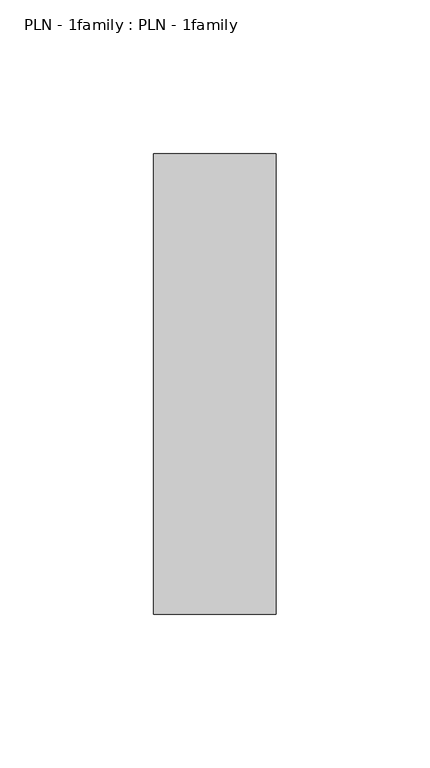
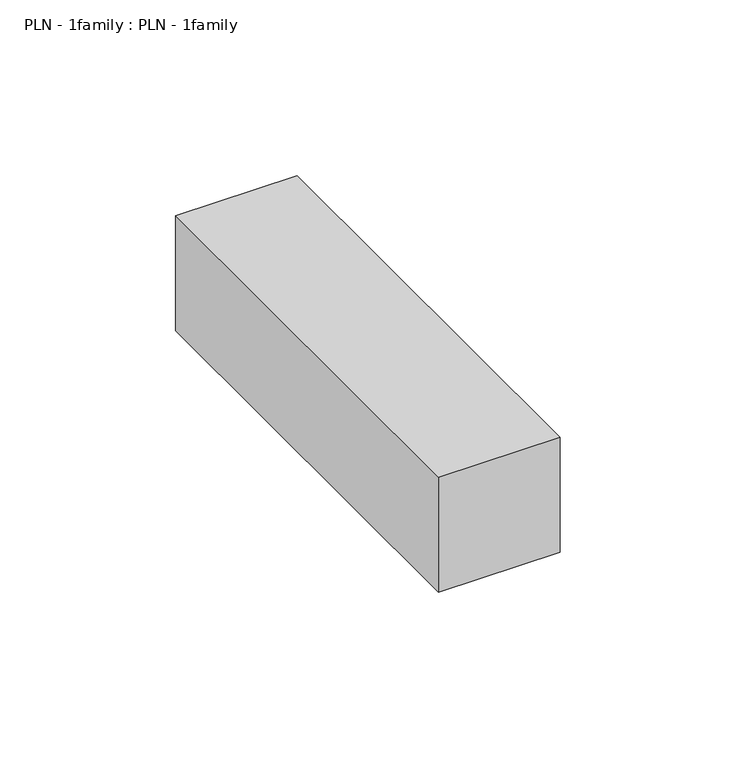
"""IFC4 building model written with IfcOpenShell, lengths in millimetres: proxy geometry, PLN - 1family : PLN - 1family."""

from ifc_helpers import new_model, si_unit, frame, origin, place, context, project, spatial, polyline, outline, extrude, source, transform, mapped, element, save


def pln_1family_pln_1family_2da3125d(model_context):
    return source(origin(), model_context, "Body", "SweptSolid", [
        extrude(outline(polyline([(0.0, 150.0), (40.0, 150.0), (40.0, 0.0), (0.0, 0.0), (0.0, 150.0)])), frame((0.0, 0.0, 100.0), z_axis=(0.0, 0.0, 1.0), x_axis=(1.0, 0.0, 0.0)), (0.0, 0.0, 1.0), 40.0),
    ])


if __name__ == "__main__":
    model = new_model("IFC4")
    model_context = context("Model", 3, world=origin())
    ifc_project = project(units=[si_unit("LENGTHUNIT", "METRE", prefix="MILLI")], contexts=[model_context])
    site = spatial("IfcSite", under=ifc_project)
    building = spatial("IfcBuilding", under=site)
    placement = place(None, origin())
    pln_1family_pln_1family_shape = pln_1family_pln_1family_2da3125d(model_context)
    element("IfcBuildingElementProxy", 1, Name="PLN - 1family : PLN - 1family", ObjectType="PLN - 1family : PLN - 1family", at=placement, inside=building, context=model_context, shape_type="MappedRepresentation", body=[
        mapped(pln_1family_pln_1family_shape, transform((0.0, 0.0, 0.0), x_axis=(1.0, 0.0, 0.0), y_axis=(0.0, 1.0, 0.0), z_axis=(0.0, 0.0, 1.0))),
    ])
    save(model, "model.ifc")
